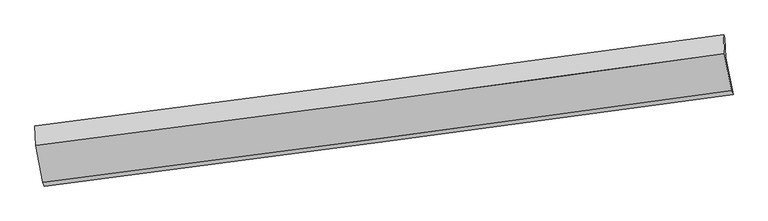
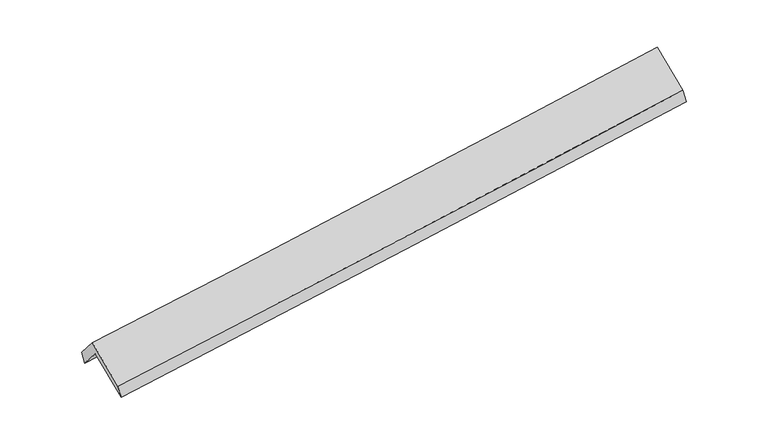
"""IFC4 building model written with IfcOpenShell, lengths in millimetres: proxy geometry."""

import ifcopenshell
import ifcopenshell.guid

model = None  # the IFC model being written
_history = None  # IfcOwnerHistory: only IFC2X3 demands one
_inside = {}  # id of a spatial element -> (the spatial element, [elements in it])
_under = {}  # id of a project, library or spatial element -> (it, [spatial elements below it])
_declared = {}  # id of a project -> (the project, [libraries it declares])
_typed = {}  # id of a type object -> (the type object, [elements of that type])
_made_of = {}  # id of a material, layer set ... -> (it, [elements and type objects made of it])


def new_model(schema):
    """Start an empty IFC model of exactly this schema.

    Asked for "IFC4X3", IfcOpenShell would pick the latest addendum, in which some entities
    have other attributes; the version numbers below select the first issue.
    IFC2X3 requires an IfcOwnerHistory on every rooted entity: one is made here for all.
    """
    global model, _history
    if schema == "IFC4X3":
        model = ifcopenshell.file(schema_version=(4, 3, 0, 0))
    else:
        model = ifcopenshell.file(schema=schema)
    _inside.clear()
    _under.clear()
    _declared.clear()
    _typed.clear()
    _made_of.clear()
    _history = None
    if model.schema == "IFC2X3":
        org = make("IfcOrganization", Name="unknown")
        user = make(
            "IfcPersonAndOrganization",
            ThePerson=make("IfcPerson", FamilyName="unknown"),
            TheOrganization=org,
        )
        app = make(
            "IfcApplication",
            ApplicationDeveloper=org,
            Version="unknown",
            ApplicationFullName="unknown",
            ApplicationIdentifier="unknown",
        )
        _history = make(
            "IfcOwnerHistory",
            OwningUser=user,
            OwningApplication=app,
            ChangeAction="ADDED",
            CreationDate=0,
        )
    return model


def make(cls, **values):
    """One entity of the class cls with the attributes given. An attribute that is None is left unset."""
    return model.create_entity(
        cls, **{name: value for name, value in values.items() if value is not None}
    )


def rooted(cls, **values):
    """An entity with a GlobalId (a new one), such as an element, a storey or a relation."""
    return make(cls, GlobalId=ifcopenshell.guid.new(), OwnerHistory=_history, **values)


def si_unit(unit_type, name, prefix=None):
    """IfcSIUnit, for example si_unit("LENGTHUNIT", "METRE", prefix="MILLI")."""
    return make("IfcSIUnit", UnitType=unit_type, Prefix=prefix, Name=name)


def assignment(units):
    """IfcUnitAssignment: the units of a project."""
    return None if units is None else make("IfcUnitAssignment", Units=units)


def point(xyz):
    """IfcCartesianPoint."""
    return None if xyz is None else make("IfcCartesianPoint", Coordinates=xyz)


def direction(xyz):
    """IfcDirection."""
    return None if xyz is None else make("IfcDirection", DirectionRatios=xyz)


def frame(location, z_axis=None, x_axis=None):
    """IfcAxis2Placement3D, a coordinate frame: its origin and axes. An axis left out is left unset."""
    return make(
        "IfcAxis2Placement3D",
        Location=point(location),
        Axis=direction(z_axis),
        RefDirection=direction(x_axis),
    )


def origin():
    """The frame at (0, 0, 0) with its axes left unset."""
    return frame((0.0, 0.0, 0.0))


def place(relative_to, where):
    """IfcLocalPlacement: puts the frame where relative to a parent placement (None: the world)."""
    return make(
        "IfcLocalPlacement", PlacementRelTo=relative_to, RelativePlacement=where
    )


def context(
    kind, dimensions, precision=None, world=None, true_north=None, identifier=None
):
    """IfcGeometricRepresentationContext, for example the 3D "Model" context."""
    return make(
        "IfcGeometricRepresentationContext",
        ContextIdentifier=identifier,
        ContextType=kind,
        CoordinateSpaceDimension=dimensions,
        Precision=precision,
        WorldCoordinateSystem=world,
        TrueNorth=true_north,
    )


def project(units=None, contexts=None):
    """IfcProject with its units and contexts."""
    return rooted(
        "IfcProject",
        Name="project",
        RepresentationContexts=contexts,
        UnitsInContext=assignment(units),
    )


def spatial(cls, under=None, at=None, **own):
    """A site, building, storey or space (cls), placed at a placement, below another one or the project."""
    s = rooted(cls, ObjectPlacement=at, **own)
    if under is not None:
        _under.setdefault(under.id(), (under, []))[1].append(s)
    return s


def shape(context_of_items, identifier, shape_type, items):
    """IfcShapeRepresentation: the items that make up one representation, for example the "Body"."""
    return make(
        "IfcShapeRepresentation",
        ContextOfItems=context_of_items,
        RepresentationIdentifier=identifier,
        RepresentationType=shape_type,
        Items=items,
    )


def source(mapping_origin, context_of_items, identifier, shape_type, items):
    """IfcRepresentationMap: a shape defined once, which mapped items show again and again."""
    return make(
        "IfcRepresentationMap",
        MappingOrigin=mapping_origin,
        MappedRepresentation=shape(context_of_items, identifier, shape_type, items),
    )


def transform(
    local_origin,
    x_axis=None,
    y_axis=None,
    z_axis=None,
    scale=None,
    scale2=None,
    scale3=None,
    uniform=True,
):
    """IfcCartesianTransformationOperator3D, or its non-uniform kind. x_axis, y_axis, z_axis: its Axis1, 2, 3."""
    if uniform:
        return make(
            "IfcCartesianTransformationOperator3D",
            Axis1=direction(x_axis),
            Axis2=direction(y_axis),
            LocalOrigin=point(local_origin),
            Scale=scale,
            Axis3=direction(z_axis),
        )
    return make(
        "IfcCartesianTransformationOperator3DnonUniform",
        Axis1=direction(x_axis),
        Axis2=direction(y_axis),
        LocalOrigin=point(local_origin),
        Scale=scale,
        Axis3=direction(z_axis),
        Scale2=scale2,
        Scale3=scale3,
    )


def mapped(mapping_source, mapping_target):
    """IfcMappedItem: shows the shape of a source again, moved by a transform."""
    return make(
        "IfcMappedItem", MappingSource=mapping_source, MappingTarget=mapping_target
    )


def made_of(thing, what):
    """Note that an element or type object is made of a material, layer set ...; save() writes the relation."""
    if what is not None:
        _made_of.setdefault(what.id(), (what, []))[1].append(thing)
    return thing


def element(
    cls,
    number,
    at=None,
    inside=None,
    cuts=None,
    type_object=None,
    material=None,
    context=None,
    identifier="Body",
    shape_type=None,
    held_by="IfcProductDefinitionShape",
    body=None,
    shapes=None,
    **own,
):
    """One element of the class cls, such as IfcWall. Its Tag is "e" and its number.

    at: its placement. inside: the storey or other place that contains it. cuts: it is an
    opening in that element (IfcRelVoidsElement). A single representation is given by context,
    identifier, shape_type and body (its items); several are given by shapes. held_by: the class
    of the entity that holds the representations. save() writes the other relations.
    """
    e = rooted(cls, Tag="e%d" % number, ObjectPlacement=at, **own)
    if body is not None:
        shapes = [shape(context, identifier, shape_type, body)]
    if shapes is not None:
        e.Representation = make(held_by, Representations=shapes)
    if inside is not None:
        _inside.setdefault(inside.id(), (inside, []))[1].append(e)
    if cuts is not None:
        rooted(
            "IfcRelVoidsElement", RelatingBuildingElement=cuts, RelatedOpeningElement=e
        )
    if type_object is not None:
        _typed.setdefault(type_object.id(), (type_object, []))[1].append(e)
    return made_of(e, material)


def aggregate(whole, parts):
    """IfcRelAggregates: a whole, such as a stair, and the parts it consists of."""
    return rooted("IfcRelAggregates", RelatingObject=whole, RelatedObjects=parts)


def save(model, path):
    """Write the relations noted so far, then the file.

    IfcRelAggregates (storeys below a building ...), IfcRelContainedInSpatialStructure (elements
    in a storey), IfcRelDefinesByType, IfcRelAssociatesMaterial and IfcRelDeclares: one each for
    every whole, place, type object, material and project.
    """
    for whole, parts in _under.values():
        aggregate(whole, parts)
    for where, things in _inside.values():
        rooted(
            "IfcRelContainedInSpatialStructure",
            RelatedElements=things,
            RelatingStructure=where,
        )
    for kind, things in _typed.values():
        rooted("IfcRelDefinesByType", RelatedObjects=things, RelatingType=kind)
    for what, things in _made_of.values():
        rooted("IfcRelAssociatesMaterial", RelatedObjects=things, RelatingMaterial=what)
    for by, libraries in _declared.values():
        rooted("IfcRelDeclares", RelatingContext=by, RelatedDefinitions=libraries)
    model.write(path)


def plane_surface(at):
    """IfcPlane: the flat surface through the origin of the frame at, square to its z axis."""
    return make("IfcPlane", Position=at)


def spline_curve(degree, points, multiplicities, knots, weights=None):
    """IfcBSplineCurveWithKnots; with weights, IfcRationalBSplineCurveWithKnots."""
    own = dict(
        Degree=degree,
        ControlPointsList=[point(p) for p in points],
        CurveForm="UNSPECIFIED",
        ClosedCurve=False,
        SelfIntersect=False,
        KnotMultiplicities=multiplicities,
        Knots=knots,
        KnotSpec="UNSPECIFIED",
    )
    if weights is None:
        return make("IfcBSplineCurveWithKnots", **own)
    return make("IfcRationalBSplineCurveWithKnots", WeightsData=weights, **own)


def spline_surface(u_degree, v_degree, points, u_multiplicities, v_multiplicities, u_knots, v_knots, weights=None):
    """IfcBSplineSurfaceWithKnots; with weights, IfcRationalBSplineSurfaceWithKnots. points: one row for each step in u."""
    own = dict(
        UDegree=u_degree,
        VDegree=v_degree,
        ControlPointsList=[[point(p) for p in row] for row in points],
        SurfaceForm="UNSPECIFIED",
        UClosed=False,
        VClosed=False,
        SelfIntersect=False,
        UMultiplicities=u_multiplicities,
        VMultiplicities=v_multiplicities,
        UKnots=u_knots,
        VKnots=v_knots,
        KnotSpec="UNSPECIFIED",
    )
    if weights is None:
        return make("IfcBSplineSurfaceWithKnots", **own)
    return make("IfcRationalBSplineSurfaceWithKnots", WeightsData=weights, **own)


def advanced_brep(points, edges, surfaces, faces):
    """IfcAdvancedBrep: a solid bounded by faces that lie on surfaces and meet in shared edges.

    An edge is (start, end): straight between two places in points (the first is 0);
    or (start, end, curve); or (start, end, curve, False) where it runs against its curve.
    A face is (place in surfaces, loops), or (place, loops, False) where it looks against
    its surface's normal. A loop lists edges by number (the first is 1), with a minus sign
    where the edge is run from its end to its start. The first loop is the outer one.
    """
    corners = [point(p) for p in points]
    vertices = [make("IfcVertexPoint", VertexGeometry=c) for c in corners]
    made = []
    for start, end, *more in edges:
        made.append(
            make(
                "IfcEdgeCurve",
                EdgeStart=vertices[start],
                EdgeEnd=vertices[end],
                EdgeGeometry=more[0] if more else make("IfcPolyline", Points=[corners[start], corners[end]]),
                SameSense=more[1] if len(more) > 1 else True,
            )
        )
    hull = []
    for where, loops, *sense in faces:
        bounds = []
        for j, loop in enumerate(loops):
            ring = [make("IfcOrientedEdge", EdgeElement=made[abs(k) - 1], Orientation=k > 0) for k in loop]
            bounds.append(
                make(
                    "IfcFaceOuterBound" if j == 0 else "IfcFaceBound",
                    Bound=make("IfcEdgeLoop", EdgeList=ring),
                    Orientation=True,
                )
            )
        hull.append(make("IfcAdvancedFace", Bounds=bounds, FaceSurface=surfaces[where], SameSense=sense[0] if sense else True))
    return make("IfcAdvancedBrep", Outer=make("IfcClosedShell", CfsFaces=hull))


def generic_models_a5ef644e(model_context):
    return source(origin(), model_context, "Body", "AdvancedBrep", [
        advanced_brep(
        [(-4740.8251397, -2218.801644, 1763.8556864), (-4751.4048095, -1947.5497384, 1443.8881753), (4663.9702884, -700.0332895, 2203.2643653), (4674.2978243, -964.8207436, 2515.6064389), (-4769.5695185, -1902.7574135, 1602.1797824), (4645.8055793, -655.2409646, 2361.5559724), (-4759.1589798, -2169.6729724, 1917.0321588), (4655.9639842, -915.6920721, 2668.7829113), (-4659.515703, -2675.067506, 1485.2901273), (4755.6072611, -1421.0866056, 2237.0408798), (-4640.4344922, -2727.9868705, 1328.8753898), (4774.6884719, -1474.0059701, 2080.6261423)],
        [
            (0, 1),
            (1, 2, spline_curve(3, [(-4751.4048095, -1947.5497384, 1443.8881753), (-3175.972419665, -1753.078044003, 1571.990408054), (-1601.429416374, -1551.569239893, 1699.499828806), (1537.018963857, -1135.65141605, 1952.618569358), (3100.934327153, -921.321404039, 2078.234546077), (4663.9702884, -700.0332895, 2203.2643653)], [4, 2, 4], [0.0, 15.674083058153565, 31.259929187556907])),
            (2, 3),
            (3, 0, spline_curve(3, [(4674.2978243, -964.8207436, 2515.6064389), (3111.052579428, -1180.743035248, 2384.247119244), (1547.053171726, -1392.91822986, 2256.089330166), (-1591.312586428, -1810.954410938, 2005.469393734), (-3165.687499952, -2016.772849287, 1883.043598419), (-4740.8251397, -2218.801644, 1763.8556864)], [4, 2, 4], [0.0, 15.585846129403341, 31.259929187556907])),
            (1, 4),
            (4, 5, spline_curve(3, [(-4769.5695185, -1902.7574135, 1602.1797824), (-3194.474258509, -1699.642052254, 1720.085985132), (-1620.099344614, -1493.823613916, 1842.511780441), (1518.350933539, -1077.954449277, 2095.687920103), (3082.434386154, -867.934071646, 2226.387521333), (4645.8055793, -655.2409646, 2361.5559724)], [4, 2, 4], [0.0, 15.67407877751772, 31.259920650382966])),
            (5, 2),
            (4, 6),
            (6, 7, spline_curve(3, [(-4759.1589798, -2169.6729724, 1917.0321588), (-3184.021340113, -1967.644177615, 2036.220070748), (-1609.646426695, -1761.825739321, 2158.645866129), (1528.719331793, -1343.789558276, 2409.265802572), (3092.718738936, -1131.614363649, 2537.423591557), (4655.9639842, -915.6920721, 2668.7829113)], [4, 2, 4], [0.0, 15.674080712775226, 31.259924510003486])),
            (7, 5),
            (6, 8),
            (8, 9, spline_curve(3, [(-4659.515703, -2675.067506, 1485.2901273), (-3084.37806364, -2473.03871143, 1604.478038894), (-1510.003149505, -2267.220273036, 1726.903834321), (1628.362608205, -1849.184091762, 1977.523771378), (3192.362016289, -1637.008897085, 2105.68156012), (4755.6072611, -1421.0866056, 2237.0408798)], [4, 2, 4], [0.0, 15.674075993980212, 31.25991509897782])),
            (9, 7),
            (8, 10),
            (10, 11, spline_curve(3, [(-4640.4344922, -2727.9868705, 1328.8753898), (-3065.29685284, -2525.95807593, 1448.063301394), (-1490.921938705, -2320.139637536, 1570.489096821), (1647.443819005, -1902.103456262, 1821.109033878), (3211.443227089, -1689.928261585, 1949.26682262), (4774.6884719, -1474.0059701, 2080.6261423)], [4, 2, 4], [0.0, 15.674075993980212, 31.25991509897782])),
            (11, 9),
            (10, 0),
            (3, 11),
        ],
        [
            spline_surface(3, 3, [[(-4740.8251397, -2218.801644, 1763.8556864), (-3165.687500085, -2016.772849406, 1883.043598193), (-1591.312586363, -1810.9544108, 2005.469393576), (1547.053171662, -1392.918229998, 2256.089330324), (3111.052579234, -1180.743035112, 2384.247119118), (4674.2978243, -964.8207436, 2515.6064389)], [(-4744.35169628, -2128.384342155, 1657.199849376), (-3169.115806508, -1928.874581017, 1779.359201549), (-1594.684863063, -1724.492687174, 1903.479538586), (1543.708435803, -1307.162625364, 2154.932410076), (3107.679828513, -1094.269158096, 2282.242928044), (4670.855312305, -876.5582589, 2411.492414357)], [(-4747.87825292, -2037.967040245, 1550.544012324), (-3172.544112993, -1840.976312564, 1675.674804878), (-1598.057139833, -1638.030963511, 1801.489683584), (1540.363699874, -1221.407020692, 2053.775489817), (3104.307077878, -1007.795281079, 2180.238737), (4667.412800395, -788.2957742, 2307.378389843)], [(-4751.4048095, -1947.5497384, 1443.8881753), (-3175.972419417, -1753.078044175, 1571.990408234), (-1601.429416534, -1551.569239886, 1699.499828593), (1537.018964015, -1135.651416058, 1952.618569569), (3100.934327157, -921.321404063, 2078.234545926), (4663.9702884, -700.0332895, 2203.2643653)]], [4, 4], [4, 2, 4], [0.0, 1.311087415322879], [0.0, 15.674083058153565, 31.259929187556907]),
            spline_surface(3, 3, [[(-4751.4048095, -1947.5497384, 1443.8881753), (-3175.972419417, -1753.078044175, 1571.990408234), (-1601.429416534, -1551.569239886, 1699.499828593), (1537.018964015, -1135.651416058, 1952.618569569), (3100.934327157, -921.321404063, 2078.234545926), (4663.9702884, -700.0332895, 2203.2643653)], [(-4757.459712522, -1932.618963438, 1496.652044341), (-3182.139699089, -1735.266046903, 1621.355600573), (-1607.652725929, -1532.32069785, 1747.170479279), (1530.796287242, -1116.419093803, 2000.308353036), (3094.767680106, -903.525626573, 2127.618871046), (4657.915385378, -685.102514538, 2256.028234341)], [(-4763.514615478, -1917.688188462, 1549.415913359), (-3188.306978695, -1717.454049617, 1670.720792891), (-1613.87603535, -1513.072155874, 1794.841129928), (1524.573610443, -1097.186771609, 2047.998136465), (3088.601033023, -885.729849068, 2177.003196145), (4651.860482322, -670.171739562, 2308.792103359)], [(-4769.5695185, -1902.7574135, 1602.1797824), (-3194.474258367, -1699.642052345, 1720.085985231), (-1620.099344745, -1493.823613838, 1842.511780614), (1518.35093367, -1077.954449355, 2095.687919932), (3082.434385973, -867.934071578, 2226.387521265), (4645.8055793, -655.2409646, 2361.5559724)]], [4, 4], [4, 2, 4], [0.0, 0.5097553100660571], [0.0, 15.67407877751772, 31.259920650382966]),
            spline_surface(3, 3, [[(-4769.5695185, -1902.7574135, 1602.1797824), (-3194.474258367, -1699.642052345, 1720.085985231), (-1620.099344745, -1493.823613838, 1842.511780614), (1518.35093367, -1077.954449355, 2095.687919932), (3082.434385973, -867.934071578, 2226.387521265), (4645.8055793, -655.2409646, 2361.5559724)], [(-4766.099338932, -1991.729266461, 1707.13057451), (-3190.989952305, -1788.976094159, 1825.464013662), (-1616.615038683, -1583.157655653, 1947.889809045), (1521.807066268, -1166.566152397, 2200.213880839), (3085.86250371, -955.827502238, 2330.066211345), (4649.191714283, -742.058000415, 2463.964952029)], [(-4762.629159368, -2080.701119439, 1812.08136669), (-3187.505646247, -1878.310135992, 1930.842042162), (-1613.130732525, -1672.491697385, 2053.267837545), (1525.263198963, -1255.177855356, 2304.739841816), (3089.290621397, -1043.720932952, 2433.744901438), (4652.577849217, -828.875036285, 2566.373931671)], [(-4759.1589798, -2169.6729724, 1917.0321588), (-3184.021340185, -1967.644177806, 2036.220070593), (-1609.646426463, -1761.8257392, 2158.645865976), (1528.719331562, -1343.789558398, 2409.265802724), (3092.718739134, -1131.614363612, 2537.423591518), (4655.9639842, -915.6920721, 2668.7829113)]], [4, 4], [4, 2, 4], [0.0, 1.3546968994233275], [0.0, 15.674080712775226, 31.259924510003486]),
            plane_surface(frame((-4709.3373414, -2422.3702392, 1701.1611431), z_axis=(0.025213375409094768, -0.6464451437120177, 0.7625437442348005), x_axis=(0.148250849501616, -0.7519340121498024, -0.6423526500251634))),
            spline_surface(3, 3, [[(-4659.515703, -2675.067506, 1485.2901273), (-3084.378063385, -2473.038711406, 1604.478039093), (-1510.003149663, -2267.2202728, 1726.903834476), (1628.362608362, -1849.184091998, 1977.523771224), (3192.362016034, -1637.008897112, 2105.681560018), (4755.6072611, -1421.0866056, 2237.0408798)], [(-4653.155299397, -2692.707294175, 1433.151881466), (-3078.017659781, -2490.678499582, 1552.33979326), (-1503.642746059, -2284.860060975, 1674.765588642), (1634.723011965, -1866.823880173, 1925.38552539), (3198.722419637, -1654.648685287, 2053.543314185), (4761.967664703, -1438.726393775, 2184.902633966)], [(-4646.794895803, -2710.347082325, 1381.013635634), (-3071.657256188, -2508.318287731, 1500.201547427), (-1497.282342466, -2302.499849124, 1622.62734281), (1641.083415558, -1884.463668322, 1873.247279557), (3205.082823231, -1672.288473436, 2001.405068352), (4768.328068297, -1456.366181925, 2132.764388134)], [(-4640.4344922, -2727.9868705, 1328.8753898), (-3065.296852585, -2525.958075906, 1448.063301593), (-1490.921938863, -2320.1396373, 1570.489096976), (1647.443819162, -1902.103456498, 1821.109033724), (3211.443226834, -1689.928261612, 1949.266822518), (4774.6884719, -1474.0059701, 2080.6261423)]], [4, 4], [4, 2, 4], [0.0, 0.5453514063930437], [0.0, 15.674075993980212, 31.25991509897782]),
            plane_surface(frame((-4690.6298159, -2473.3942572, 1546.3655381), z_axis=(-0.02521337540909723, 0.6464451437120278, -0.7625437442347921), x_axis=(-0.14825084950162012, 0.7519340121497933, 0.6423526500251733))),
            plane_surface(frame((4695.0555682, -1021.8132743, 2344.4794516), z_axis=(0.9886283282015238, 0.12924363637491548, 0.07687724718048253), x_axis=(0.11479276836558443, -0.31836346311782826, -0.9409927341284781))),
            plane_surface(frame((-4720.1514404, -2273.6393575, 1590.1868867), z_axis=(-0.9886283282015123, -0.12924363637521125, -0.07687724718013368), x_axis=(0.14825084950162012, -0.7519340121497933, -0.6423526500251733))),
        ],
        [
            (0, [[1, 2, 3, 4]]),
            (1, [[5, 6, 7, -2]]),
            (2, [[8, 9, 10, -6]]),
            (3, [[11, 12, 13, -9]]),
            (4, [[14, 15, 16, -12]]),
            (5, [[17, -4, 18, -15]]),
            (6, [[-16, -18, -3, -7, -10, -13]]),
            (7, [[-17, -14, -11, -8, -5, -1]]),
        ],
    ),
    ])


if __name__ == "__main__":
    model = new_model("IFC4")
    model_context = context("Model", 3, world=origin())
    ifc_project = project(units=[si_unit("LENGTHUNIT", "METRE", prefix="MILLI")], contexts=[model_context])
    site = spatial("IfcSite", under=ifc_project)
    building = spatial("IfcBuilding", under=site)
    placement = place(None, origin())
    generic_models_shape = generic_models_a5ef644e(model_context)
    element("IfcBuildingElementProxy", 1, Name="Generic Models", at=placement, inside=building, context=model_context, shape_type="MappedRepresentation", body=[
        mapped(generic_models_shape, transform((0.0, 0.0, 0.0), x_axis=(1.0, 0.0, 0.0), y_axis=(0.0, 1.0, 0.0), z_axis=(0.0, 0.0, 1.0))),
    ])
    save(model, "model.ifc")
